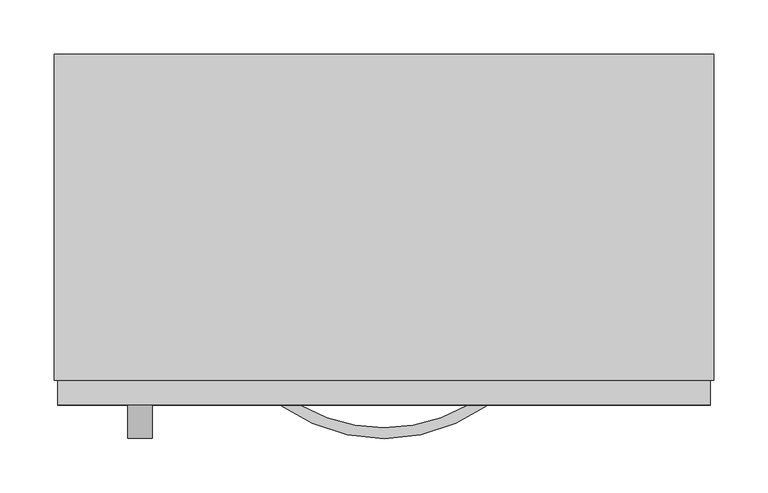
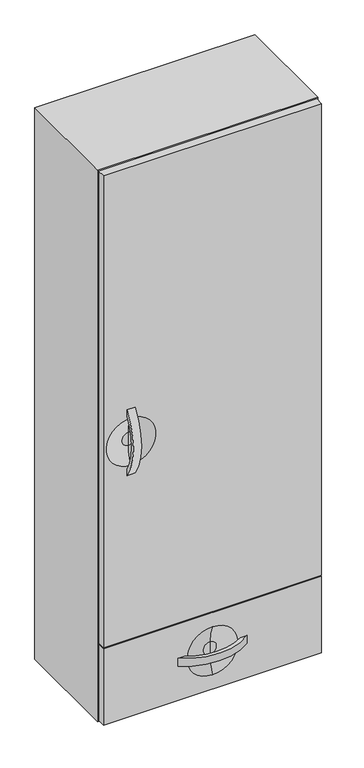
"""IFC4 building model written with IfcOpenShell, lengths in millimetres: furniture geometry."""

from ifc_helpers import new_model, si_unit, point, frame, frame_2d, origin, place, context, project, spatial, polyline, circle_curve, ellipse_curve, trimmed, segment, composite_curve, outline, extrude, source, transform, mapped, element, save
from ifc_brep_helpers import plane_surface, revolved_surface, advanced_brep


def furniture_2270d6c8(model_context):
    return source(origin(), model_context, "Body", "SolidModel", [
        extrude(outline(composite_curve([segment(trimmed(circle_curve(frame_2d((-190.9255705, 1312.5785115)), 164.0076795), [point((-323.977, 1216.6835896))], [point((-323.977, 1408.4734333))], False, "CARTESIAN"), True, "CONTINUOUS"), segment(polyline([(-323.977, 1408.4734333), (-323.977, 1389.8135792)]), True, "CONTINUOUS"), segment(trimmed(circle_curve(frame_2d((-192.7296017, 1312.5801127)), 152.2855473), [point((-323.977, 1389.8135792))], [point((-323.977, 1235.3466461))], True, "CARTESIAN"), True, "CONTINUOUS"), segment(polyline([(-323.977, 1235.3466461), (-323.977, 1216.6835896)]), True, "CONTINUOUS")], self_intersect=False)), frame((-217.7997951, 0.0, 0.0), z_axis=(1.0, 0.0, 0.0), x_axis=(0.0, 1.0, 0.0)), (0.0, 0.0, 1.0), 22.225),
        extrude(outline(composite_curve([segment(trimmed(circle_curve(frame_2d((18.7377049, -190.9255705)), 164.0076795), [point((114.6326268, -323.977))], [point((-77.157217, -323.977))], False, "CARTESIAN"), True, "CONTINUOUS"), segment(polyline([(-77.157217, -323.977), (-58.4973628, -323.977)]), True, "CONTINUOUS"), segment(trimmed(circle_curve(frame_2d((18.7361037, -192.7296017)), 152.2855473), [point((-58.4973628, -323.977))], [point((95.9695702, -323.977))], True, "CARTESIAN"), True, "CONTINUOUS"), segment(polyline([(95.9695702, -323.977), (114.6326268, -323.977)]), True, "CONTINUOUS")], self_intersect=False)), frame((0.0, 0.0, 610.3057728), z_axis=(0.0, 0.0, 1.0), x_axis=(1.0, 0.0, 0.0)), (0.0, 0.0, 1.0), 22.225),
        advanced_brep(
        [(-282.8872951, -301.2559062, 733.2600588), (-282.8872951, -323.977, 733.2600588), (320.3627049, -323.977, 733.2600588), (320.3627049, -301.2559062, 733.2600588), (-282.8872951, -301.2559062, 509.3692187), (320.3627049, -301.2559062, 509.3692187), (320.3627049, -323.977, 509.3692187), (-282.8872951, -323.977, 509.3692187), (18.7377049, -323.977, 551.3115682), (18.7377049, -323.977, 691.5249774), (18.7377049, -311.3273482, 602.3704892), (18.7377049, -311.3273482, 640.4660564), (18.7377049, -311.3273482, 621.4182728)],
        [
            (0, 1),
            (1, 2),
            (2, 3),
            (3, 0),
            (4, 5),
            (5, 6),
            (6, 7),
            (7, 4),
            (0, 4),
            (7, 1),
            (6, 2),
            (8, 9, circle_curve(frame((18.7377049, -323.977, 621.4182728), z_axis=(0.0, 1.0, 0.0), x_axis=(0.0, 0.0, 1.0)), 70.1067046)),
            (9, 8, circle_curve(frame((18.7377049, -323.977, 621.4182728), z_axis=(0.0, 1.0, 0.0), x_axis=(0.0, 0.0, 1.0)), 70.1067046)),
            (5, 3),
            (8, 10, circle_curve(frame((18.7377049, -446.5701093, 608.7799526), z_axis=(1.0, 0.0, 0.0), x_axis=(0.0, 1.0, 0.0)), 135.3945555)),
            (10, 11, circle_curve(frame((18.7377049, -311.3273482, 621.4182728), z_axis=(0.0, 1.0, 0.0), x_axis=(0.0, 0.0, 1.0)), 19.0477836)),
            (11, 9, circle_curve(frame((18.7377049, -446.5701093, 634.056593), z_axis=(1.0, 0.0, 0.0), x_axis=(0.0, 1.0, 0.0)), 135.3945555)),
            (11, 10, circle_curve(frame((18.7377049, -311.3273482, 621.4182728), z_axis=(0.0, 1.0, 0.0), x_axis=(0.0, 0.0, 1.0)), 19.0477836)),
            (10, 12),
            (12, 11),
        ],
        [
            plane_surface(frame((-282.8872951, -323.977, 733.2600588), z_axis=(0.0, 0.0, 1.0), x_axis=(0.0, -1.0, 0.0))),
            plane_surface(frame((-282.8872951, -323.977, 509.3692187), z_axis=(0.0, 0.0, -1.0), x_axis=(0.0, 1.0, 0.0))),
            plane_surface(frame((-282.8872951, -301.2559062, 733.2600588), z_axis=(-1.0, 0.0, 0.0), x_axis=(0.0, 0.0, -1.0))),
            plane_surface(frame((-282.8872951, -323.977, 733.2600588), z_axis=(0.0, -1.0, 0.0), x_axis=(0.0, 0.0, -1.0))),
            plane_surface(frame((320.3627049, -323.977, 733.2600588), z_axis=(1.0, 0.0, 0.0), x_axis=(0.0, 0.0, -1.0))),
            plane_surface(frame((320.3627049, -301.2559062, 733.2600588), z_axis=(0.0, 1.0, 0.0), x_axis=(0.0, 0.0, -1.0))),
            revolved_surface(trimmed(ellipse_curve(frame((18.7377049, -446.5701093, 634.056593), z_axis=(-1.0, 0.0, 0.0), x_axis=(0.0, 1.0, 0.0)), 135.3945555, 135.3945555), [point((18.7377049, -323.977, 691.5249774))], [point((18.7377049, -311.3273482, 640.4660564))], True, "CARTESIAN"), (18.7377049, -311.3273482, 621.4182728), (0.0, -1.0, 0.0)),
            plane_surface(frame((18.7377049, -311.3273482, 621.4182728), z_axis=(0.0, -1.0, 0.0), x_axis=(0.0, 0.0, 1.0))),
        ],
        [
            (0, [[1, 2, 3, 4]]),
            (1, [[5, 6, 7, 8]]),
            (2, [[-1, 9, -8, 10]]),
            (3, [[-2, -10, -7, 11], [12, 13]]),
            (4, [[-3, -11, -6, 14]]),
            (5, [[-4, -14, -5, -9]]),
            (6, [[15, 16, 17, -12]]),
            (6, [[-15, -13, -17, 18]]),
            (7, [[-16, 19, 20]]),
            (7, [[-18, -20, -19]]),
        ],
    ),
        advanced_brep(
        [(-282.8872951, -301.2559062, 2115.82), (-282.8872951, -323.977, 2115.82), (320.3627049, -323.977, 2115.82), (320.3627049, -301.2559062, 2115.82), (-282.8872951, -301.2559062, 736.4809375), (320.3627049, -301.2559062, 736.4809375), (320.3627049, -323.977, 736.4809375), (-282.8872951, -323.977, 736.4809375), (-206.6872951, -323.977, 1381.1556846), (-206.6872951, -323.977, 1244.0013383), (-206.6872951, -311.3273482, 1293.5307279), (-206.6872951, -311.3273482, 1331.626295), (-206.6872951, -311.3273482, 1312.5785115)],
        [
            (0, 1),
            (1, 2),
            (2, 3),
            (3, 0),
            (4, 5),
            (5, 6),
            (6, 7),
            (7, 4),
            (0, 4),
            (7, 1),
            (6, 2),
            (8, 9, circle_curve(frame((-206.6872951, -323.977, 1312.5785115), z_axis=(0.0, 1.0, 0.0), x_axis=(0.0, 0.0, 1.0)), 68.5771731)),
            (9, 8, circle_curve(frame((-206.6872951, -323.977, 1312.5785115), z_axis=(0.0, 1.0, 0.0), x_axis=(0.0, 0.0, 1.0)), 68.5771731)),
            (5, 3),
            (10, 9, circle_curve(frame((-206.6872951, -432.1044866, 1297.9967972), z_axis=(-1.0, 0.0, 0.0), x_axis=(0.0, -1.0, 0.0)), 120.8596829)),
            (8, 11, circle_curve(frame((-206.6872951, -432.1044866, 1327.1602257), z_axis=(-1.0, 0.0, 0.0), x_axis=(0.0, -1.0, 0.0)), 120.8596829)),
            (11, 10, circle_curve(frame((-206.6872951, -311.3273482, 1312.5785115), z_axis=(0.0, 1.0, 0.0), x_axis=(0.0, 0.0, 1.0)), 19.0477836)),
            (10, 11, circle_curve(frame((-206.6872951, -311.3273482, 1312.5785115), z_axis=(0.0, 1.0, 0.0), x_axis=(0.0, 0.0, 1.0)), 19.0477836)),
            (11, 12),
            (12, 10),
        ],
        [
            plane_surface(frame((-282.8872951, -323.977, 2115.82), z_axis=(0.0, 0.0, 1.0), x_axis=(0.0, -1.0, 0.0))),
            plane_surface(frame((-282.8872951, -323.977, 736.4809375), z_axis=(0.0, 0.0, -1.0), x_axis=(0.0, 1.0, 0.0))),
            plane_surface(frame((-282.8872951, -301.2559062, 2115.82), z_axis=(-1.0, 0.0, 0.0), x_axis=(0.0, 0.0, -1.0))),
            plane_surface(frame((-282.8872951, -323.977, 2115.82), z_axis=(0.0, -1.0, 0.0), x_axis=(0.0, 0.0, -1.0))),
            plane_surface(frame((320.3627049, -323.977, 2115.82), z_axis=(1.0, 0.0, 0.0), x_axis=(0.0, 0.0, -1.0))),
            plane_surface(frame((320.3627049, -301.2559062, 2115.82), z_axis=(0.0, 1.0, 0.0), x_axis=(0.0, 0.0, -1.0))),
            revolved_surface(trimmed(ellipse_curve(frame((-206.6872951, -432.1044866, 1327.1602257), z_axis=(1.0, 0.0, 0.0), x_axis=(0.0, -1.0, 0.0)), 120.8596829, 120.8596829), [point((-206.6872951, -311.3273482, 1331.626295))], [point((-206.6872951, -323.977, 1381.1556846))], True, "CARTESIAN"), (-206.6872951, -311.3273482, 1312.5785115), (0.0, 1.0, 0.0)),
            plane_surface(frame((-206.6872951, -311.3273482, 1312.5785115), z_axis=(0.0, -1.0, 0.0), x_axis=(0.0, 0.0, 1.0))),
        ],
        [
            (0, [[1, 2, 3, 4]]),
            (1, [[5, 6, 7, 8]]),
            (2, [[-1, 9, -8, 10]]),
            (3, [[-2, -10, -7, 11], [12, 13]]),
            (4, [[-3, -11, -6, 14]]),
            (5, [[-4, -14, -5, -9]]),
            (6, [[15, -12, 16, 17]]),
            (6, [[-15, 18, -16, -13]]),
            (7, [[-17, 19, 20]]),
            (7, [[-18, -20, -19]]),
        ],
    ),
        extrude(outline(polyline([(-286.0622951, 0.0), (323.5377049, 0.0), (323.5377049, -301.2559062), (-286.0622951, -301.2559062), (-286.0622951, 0.0)])), frame((0.0, 0.0, 506.1942187), z_axis=(0.0, 0.0, 1.0), x_axis=(1.0, 0.0, 0.0)), (0.0, 0.0, 1.0), 1612.8007813),
    ])


if __name__ == "__main__":
    model = new_model("IFC4")
    model_context = context("Model", 3, world=origin())
    ifc_project = project(units=[si_unit("LENGTHUNIT", "METRE", prefix="MILLI")], contexts=[model_context])
    site = spatial("IfcSite", under=ifc_project)
    building = spatial("IfcBuilding", under=site)
    placement = place(None, origin())
    furniture_shape = furniture_2270d6c8(model_context)
    element("IfcFurniture", 1, at=placement, inside=building, context=model_context, shape_type="MappedRepresentation", body=[
        mapped(furniture_shape, transform((0.0, 0.0, 0.0), x_axis=(1.0, 0.0, 0.0), y_axis=(0.0, 1.0, 0.0), z_axis=(0.0, 0.0, 1.0))),
    ])
    save(model, "model.ifc")
